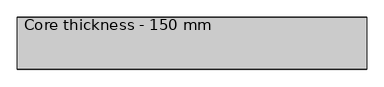
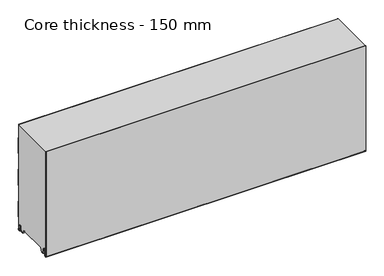
"""IFC4 building model written with IfcOpenShell, lengths in millimetres: plate geometry, Core thickness - 150 mm."""

from ifc_helpers import new_model, si_unit, frame, origin, place, context, project, spatial, polyline, circle_curve, source, transform, mapped, element, save
from ifc_brep_helpers import plane_surface, cylinder_surface, revolved_surface, advanced_brep


def core_thickness_150_mm_ac480261(model_context):
    return source(origin(), model_context, "Body", "AdvancedBrep", [
        advanced_brep(
        [(500.0000002, -149.9996949, 3.0900682), (500.0000002, -143.81449, 2.7875612), (500.0000002, -142.197116, 19.2828169), (500.0000002, -139.1776715, 21.9898782), (500.0000002, -136.1582271, 19.2828169), (500.0000002, -134.7725998, 5.1510966), (500.0000002, -130.3830995, 5.365779), (500.0000002, -131.1830995, 5.365779), (500.0000002, -133.9764178, 5.2291629), (500.0000002, -135.3620451, 19.3608832), (500.0000002, -139.1776715, 22.7899182), (500.0000002, -142.9932979, 19.3608832), (500.0000002, -144.6106719, 2.8656275), (500.0000002, -149.1996949, 3.0900682), (500.0000002, -149.2, 350.0), (500.0000002, -149.9996949, 350.0), (-500.0000002, -149.1996949, 3.0900682), (-500.0000002, -144.6106719, 2.8656275), (-500.0000002, -142.9932979, 19.3608832), (-500.0000002, -139.1776715, 22.7899182), (-500.0000002, -135.3620451, 19.3608832), (-500.0000002, -133.9764178, 5.2291629), (-500.0000002, -131.1830995, 5.365779), (-500.0000002, -130.3830995, 5.365779), (-500.0000002, -134.7725998, 5.1510966), (-500.0000002, -136.1582271, 19.2828169), (-500.0000002, -139.1776715, 21.9898782), (-500.0000002, -142.197116, 19.2828169), (-500.0000002, -143.81449, 2.7875612), (-500.0000002, -149.9996949, 3.0900682), (-500.0000002, -149.9996949, 350.0), (-500.0000002, -149.2, 350.0)],
        [
            (0, 1, circle_curve(frame((500.0000002, -146.8996949, 3.0900682), z_axis=(1.0, 0.0, 0.0), x_axis=(0.0, 0.0, -1.0)), 3.1)),
            (1, 2),
            (2, 3, circle_curve(frame((500.0000002, -139.2114338, 18.9900682), z_axis=(-1.0, 0.0, 0.0), x_axis=(0.0, 0.0, -1.0)), 3.0)),
            (3, 4, circle_curve(frame((500.0000002, -139.1439093, 18.9900682), z_axis=(-1.0, 0.0, 0.0), x_axis=(0.0, 0.0, -1.0)), 3.0)),
            (4, 5),
            (5, 6, circle_curve(frame((500.0000002, -132.5830995, 5.365779), z_axis=(1.0, 0.0, 0.0), x_axis=(0.0, 0.0, -1.0)), 2.2)),
            (6, 7),
            (7, 8, circle_curve(frame((500.0000002, -132.5830995, 5.365779), z_axis=(-1.0, 0.0, 0.0), x_axis=(0.0, 0.0, -1.0)), 1.4)),
            (8, 9),
            (9, 10, circle_curve(frame((500.0000002, -139.1439093, 18.9900682), z_axis=(1.0, 0.0, 0.0), x_axis=(0.0, 0.0, -1.0)), 3.8)),
            (10, 11, circle_curve(frame((500.0000002, -139.2114338, 18.9900682), z_axis=(1.0, 0.0, 0.0), x_axis=(0.0, 0.0, -1.0)), 3.8)),
            (11, 12),
            (12, 13, circle_curve(frame((500.0000002, -146.8996949, 3.0900682), z_axis=(-1.0, 0.0, 0.0), x_axis=(0.0, 0.0, -1.0)), 2.3)),
            (13, 14),
            (14, 15),
            (15, 0),
            (16, 17, circle_curve(frame((-500.0000002, -146.8996949, 3.0900682), z_axis=(1.0, 0.0, 0.0), x_axis=(0.0, 0.0, -1.0)), 2.3)),
            (17, 18),
            (18, 19, circle_curve(frame((-500.0000002, -139.2114338, 18.9900682), z_axis=(-1.0, 0.0, 0.0), x_axis=(0.0, 0.0, -1.0)), 3.8)),
            (19, 20, circle_curve(frame((-500.0000002, -139.1439093, 18.9900682), z_axis=(-1.0, 0.0, 0.0), x_axis=(0.0, 0.0, -1.0)), 3.8)),
            (20, 21),
            (21, 22, circle_curve(frame((-500.0000002, -132.5830995, 5.365779), z_axis=(1.0, 0.0, 0.0), x_axis=(0.0, 0.0, -1.0)), 1.4)),
            (22, 23),
            (23, 24, circle_curve(frame((-500.0000002, -132.5830995, 5.365779), z_axis=(-1.0, 0.0, 0.0), x_axis=(0.0, 0.0, -1.0)), 2.2)),
            (24, 25),
            (25, 26, circle_curve(frame((-500.0000002, -139.1439093, 18.9900682), z_axis=(1.0, 0.0, 0.0), x_axis=(0.0, 0.0, -1.0)), 3.0)),
            (26, 27, circle_curve(frame((-500.0000002, -139.2114338, 18.9900682), z_axis=(1.0, 0.0, 0.0), x_axis=(0.0, 0.0, -1.0)), 3.0)),
            (27, 28),
            (28, 29, circle_curve(frame((-500.0000002, -146.8996949, 3.0900682), z_axis=(-1.0, 0.0, 0.0), x_axis=(0.0, 0.0, -1.0)), 3.1)),
            (29, 30),
            (30, 31),
            (31, 16),
            (13, 16),
            (31, 14),
            (29, 0),
            (15, 30),
            (12, 17),
            (11, 18),
            (10, 19),
            (9, 20),
            (8, 21),
            (7, 22),
            (6, 23),
            (5, 24),
            (4, 25),
            (3, 26),
            (2, 27),
            (1, 28),
        ],
        [
            plane_surface(frame((500.0000002, -150.0, 0.0), z_axis=(1.0, 0.0, 0.0), x_axis=(0.0, 1.0, 0.0))),
            plane_surface(frame((-500.0000002, -150.0, 0.0), z_axis=(-1.0, 0.0, 0.0), x_axis=(0.0, 1.0, 0.0))),
            plane_surface(frame((500.0000002, -149.2, 3.0900682), z_axis=(0.0, 1.0, 0.0), x_axis=(-1.0, 0.0, 0.0))),
            plane_surface(frame((500.0000002, -149.9996949, 1143.9000005), z_axis=(0.0, -1.0, 0.0), x_axis=(-1.0, 0.0, 0.0))),
            revolved_surface(polyline([(-500.0000002, -146.8996949, 0.7900682000000003), (500.0000002, -146.8996949, 0.7900682000000003)]), (500.0000002, -146.8996949, 3.0900682), (-1.0, 0.0, 0.0)),
            plane_surface(frame((500.0000002, -142.9932979, 19.3608832), z_axis=(0.0, -0.9952273999818314, 0.09758289975914787), x_axis=(-1.0, 0.0, 0.0))),
            cylinder_surface(frame((500.0000002, -139.2114338, 18.9900682), z_axis=(1.0, 0.0, 0.0), x_axis=(0.0, 0.0, -1.0)), 3.8),
            cylinder_surface(frame((500.0000002, -139.1439093, 18.9900682), z_axis=(1.0, 0.0, 0.0), x_axis=(0.0, 0.0, -1.0)), 3.8),
            plane_surface(frame((500.0000002, -133.9764178, 5.2291629), z_axis=(0.0, 0.9952273999818297, 0.09758289975916531), x_axis=(-1.0, 0.0, 0.0))),
            revolved_surface(polyline([(-500.0000002, -132.5830995, 3.965779), (500.0000002, -132.5830995, 3.965779)]), (500.0000002, -132.5830995, 5.365779), (-1.0, 0.0, 0.0)),
            plane_surface(frame((500.0000002, -130.3830995, 5.365779), z_axis=(0.0, 0.0, 1.0), x_axis=(-1.0, 0.0, 0.0))),
            cylinder_surface(frame((500.0000002, -132.5830995, 5.365779), z_axis=(1.0, 0.0, 0.0), x_axis=(0.0, 0.0, -1.0)), 2.2),
            plane_surface(frame((500.0000002, -136.1582271, 19.2828169), z_axis=(0.0, -0.9952273999818296, -0.09758289975916527), x_axis=(-1.0, 0.0, 0.0))),
            revolved_surface(polyline([(-500.0000002, -139.1439093, 15.9900682), (500.0000002, -139.1439093, 15.9900682)]), (500.0000002, -139.1439093, 18.9900682), (-1.0, 0.0, 0.0)),
            revolved_surface(polyline([(-500.0000002, -139.2114338, 15.9900682), (500.0000002, -139.2114338, 15.9900682)]), (500.0000002, -139.2114338, 18.9900682), (-1.0, 0.0, 0.0)),
            plane_surface(frame((500.0000002, -143.81449, 2.7875612), z_axis=(0.0, 0.9952273999818314, -0.09758289975914787), x_axis=(-1.0, 0.0, 0.0))),
            cylinder_surface(frame((500.0000002, -146.8996949, 3.0900682), z_axis=(1.0, 0.0, 0.0), x_axis=(0.0, 0.0, -1.0)), 3.1),
            plane_surface(frame((-500.0000002, 134.0533409, 350.0), z_axis=(0.0, 0.0, 1.0), x_axis=(1.0, 0.0, 0.0))),
        ],
        [
            (0, [[1, 2, 3, 4, 5, 6, 7, 8, 9, 10, 11, 12, 13, 14, 15, 16]]),
            (1, [[17, 18, 19, 20, 21, 22, 23, 24, 25, 26, 27, 28, 29, 30, 31, 32]]),
            (2, [[33, -32, 34, -14]]),
            (3, [[35, -16, 36, -30]]),
            (4, [[-13, 37, -17, -33]]),
            (5, [[-12, 38, -18, -37]]),
            (6, [[-11, 39, -19, -38]]),
            (7, [[-10, 40, -20, -39]]),
            (8, [[-9, 41, -21, -40]]),
            (9, [[-8, 42, -22, -41]]),
            (10, [[-7, 43, -23, -42]]),
            (11, [[-6, 44, -24, -43]]),
            (12, [[-5, 45, -25, -44]]),
            (13, [[-4, 46, -26, -45]]),
            (14, [[-3, 47, -27, -46]]),
            (15, [[-2, 48, -28, -47]]),
            (16, [[-1, -35, -29, -48]]),
            (17, [[-15, -34, -31, -36]]),
        ],
    ),
        advanced_brep(
        [(500.0000002, -119.873448, 15.1417681), (500.0000002, -30.126552, 15.1417681), (500.0000002, -23.4071318, 3.165779), (500.0000002, -17.4169005, 3.165779), (500.0000002, -19.6169005, 5.365779), (500.0000002, -18.8169005, 5.365779), (500.0000002, -16.0235822, 5.2291629), (500.0000002, -14.6379549, 19.3608832), (500.0000002, -10.8223285, 22.7899182), (500.0000002, -7.0067021, 19.3608832), (500.0000002, -5.3893281, 2.8656275), (500.0000002, -1.0794848, 4.1883784), (500.0000002, -1.5003051, 5.8439114), (500.0000002, -1.5003051, 42.0511837), (500.0000002, -1.0971009, 43.4705951), (500.0000002, -0.8, 44.5229805), (500.0000002, -0.8, 94.6827637), (500.0000002, -1.0986697, 95.7341795), (500.0000002, -1.5003051, 97.1545605), (500.0000002, -1.5003051, 147.3143437), (500.0000002, -1.0971009, 148.7337551), (500.0000002, -0.8, 149.7861405), (500.0000002, -0.8, 199.9459237), (500.0000002, -1.0986697, 200.9973395), (500.0000002, -1.5003051, 202.4177205), (500.0000002, -1.5003051, 252.5775037), (500.0000002, -1.0971009, 253.9969151), (500.0000002, -0.8, 255.0493005), (500.0000002, -0.8, 305.2090837), (500.0000002, -1.0986697, 306.2604995), (500.0000002, -1.5003051, 307.6808805), (500.0000002, -1.5003051, 350.0), (500.0000002, -149.2, 350.0), (500.0000002, -149.2, 3.0900682), (500.0000002, -144.6106719, 2.8656275), (500.0000002, -142.9932979, 19.3608832), (500.0000002, -139.1776715, 22.7899182), (500.0000002, -135.3620451, 19.3608832), (500.0000002, -133.9764178, 5.2291629), (500.0000002, -131.1830995, 5.365779), (500.0000002, -130.3830995, 5.365779), (500.0000002, -132.5830995, 3.165779), (500.0000002, -126.5928682, 3.165779), (-500.0000002, -30.126552, 15.1417681), (-500.0000002, -119.873448, 15.1417681), (-500.0000002, -126.5928682, 3.165779), (-500.0000002, -132.5830995, 3.165779), (-500.0000002, -130.3830995, 5.365779), (-500.0000002, -131.1830995, 5.365779), (-500.0000002, -133.9764178, 5.2291629), (-500.0000002, -135.3620451, 19.3608832), (-500.0000002, -139.1776715, 22.7899182), (-500.0000002, -142.9932979, 19.3608832), (-500.0000002, -144.6106719, 2.8656275), (-500.0000002, -149.1996949, 3.0900682), (-500.0000002, -149.2, 350.0), (-500.0000002, -1.5003051, 350.0), (-500.0000002, -1.5003051, 307.6808805), (-500.0000002, -1.0971009, 306.2614691), (-500.0000002, -0.8, 305.2090837), (-500.0000002, -0.8, 255.0493005), (-500.0000002, -1.0986697, 253.9978846), (-500.0000002, -1.5003051, 252.5775037), (-500.0000002, -1.5003051, 202.4177205), (-500.0000002, -1.0971009, 200.9983091), (-500.0000002, -0.8, 199.9459237), (-500.0000002, -0.8, 149.7861405), (-500.0000002, -1.0986697, 148.7347246), (-500.0000002, -1.5003051, 147.3143437), (-500.0000002, -1.5003051, 97.1545605), (-500.0000002, -1.0971009, 95.7351491), (-500.0000002, -0.8, 94.6827637), (-500.0000002, -0.8, 44.5229805), (-500.0000002, -1.0986697, 43.4715646), (-500.0000002, -1.5003051, 42.0511837), (-500.0000002, -1.5003051, 5.8439114), (-500.0000002, -1.0794848, 4.1883784), (-500.0000002, -5.3893281, 2.8656275), (-500.0000002, -7.0067021, 19.3608832), (-500.0000002, -10.8223285, 22.7899182), (-500.0000002, -14.6379549, 19.3608832), (-500.0000002, -16.0235822, 5.2291629), (-500.0000002, -18.8169005, 5.365779), (-500.0000002, -19.6169005, 5.365779), (-500.0000002, -17.4169005, 3.165779), (-500.0000002, -23.4071318, 3.165779)],
        [
            (0, 1),
            (1, 2),
            (2, 3),
            (3, 4, circle_curve(frame((500.0000002, -17.4169005, 5.365779), z_axis=(-1.0, 0.0, 0.0), x_axis=(0.0, 0.0, -1.0)), 2.2)),
            (4, 5),
            (5, 6, circle_curve(frame((500.0000002, -17.4169005, 5.365779), z_axis=(1.0, 0.0, 0.0), x_axis=(0.0, 0.0, -1.0)), 1.4)),
            (6, 7),
            (7, 8, circle_curve(frame((500.0000002, -10.8560907, 18.9900682), z_axis=(-1.0, 0.0, 0.0), x_axis=(0.0, 0.0, -1.0)), 3.8)),
            (8, 9, circle_curve(frame((500.0000002, -10.7885662, 18.9900682), z_axis=(-1.0, 0.0, 0.0), x_axis=(0.0, 0.0, -1.0)), 3.8)),
            (9, 10),
            (10, 11, circle_curve(frame((500.0000002, -3.1003051, 3.0900682), z_axis=(1.0, 0.0, 0.0), x_axis=(0.0, 0.0, -1.0)), 2.3)),
            (11, 12, circle_curve(frame((500.0000002, 1.9665895, 5.8439114), z_axis=(-1.0, 0.0, 0.0), x_axis=(0.0, 0.0, -1.0)), 3.4668946)),
            (12, 13),
            (13, 14, circle_curve(frame((500.0000002, 1.1996949, 42.0511837), z_axis=(-1.0, 0.0, 0.0), x_axis=(0.0, 0.0, -1.0)), 2.7)),
            (14, 15, circle_curve(frame((500.0000002, -2.8, 44.5229805), z_axis=(1.0, 0.0, 0.0), x_axis=(0.0, 0.0, -1.0)), 2.0)),
            (15, 16),
            (16, 17, circle_curve(frame((500.0000002, -2.8, 94.6827637), z_axis=(1.0, 0.0, 0.0), x_axis=(0.0, 0.0, -1.0)), 2.0)),
            (17, 18, circle_curve(frame((500.0000002, 1.1996949, 97.1545605), z_axis=(-1.0, 0.0, 0.0), x_axis=(0.0, 0.0, -1.0)), 2.7)),
            (18, 19),
            (19, 20, circle_curve(frame((500.0000002, 1.1996949, 147.3143437), z_axis=(-1.0, 0.0, 0.0), x_axis=(0.0, 0.0, -1.0)), 2.7)),
            (20, 21, circle_curve(frame((500.0000002, -2.8, 149.7861405), z_axis=(1.0, 0.0, 0.0), x_axis=(0.0, 0.0, -1.0)), 2.0)),
            (21, 22),
            (22, 23, circle_curve(frame((500.0000002, -2.8, 199.9459237), z_axis=(1.0, 0.0, 0.0), x_axis=(0.0, 0.0, -1.0)), 2.0)),
            (23, 24, circle_curve(frame((500.0000002, 1.1996949, 202.4177205), z_axis=(-1.0, 0.0, 0.0), x_axis=(0.0, 0.0, -1.0)), 2.7)),
            (24, 25),
            (25, 26, circle_curve(frame((500.0000002, 1.1996949, 252.5775037), z_axis=(-1.0, 0.0, 0.0), x_axis=(0.0, 0.0, -1.0)), 2.7)),
            (26, 27, circle_curve(frame((500.0000002, -2.8, 255.0493005), z_axis=(1.0, 0.0, 0.0), x_axis=(0.0, 0.0, -1.0)), 2.0)),
            (27, 28),
            (28, 29, circle_curve(frame((500.0000002, -2.8, 305.2090837), z_axis=(1.0, 0.0, 0.0), x_axis=(0.0, 0.0, -1.0)), 2.0)),
            (29, 30, circle_curve(frame((500.0000002, 1.1996949, 307.6808805), z_axis=(-1.0, 0.0, 0.0), x_axis=(0.0, 0.0, -1.0)), 2.7)),
            (30, 31),
            (31, 32),
            (32, 33),
            (33, 34, circle_curve(frame((500.0000002, -146.8996949, 3.0900682), z_axis=(1.0, 0.0, 0.0), x_axis=(0.0, 0.0, -1.0)), 2.3)),
            (34, 35),
            (35, 36, circle_curve(frame((500.0000002, -139.2114338, 18.9900682), z_axis=(-1.0, 0.0, 0.0), x_axis=(0.0, 0.0, -1.0)), 3.8)),
            (36, 37, circle_curve(frame((500.0000002, -139.1439093, 18.9900682), z_axis=(-1.0, 0.0, 0.0), x_axis=(0.0, 0.0, -1.0)), 3.8)),
            (37, 38),
            (38, 39, circle_curve(frame((500.0000002, -132.5830995, 5.365779), z_axis=(1.0, 0.0, 0.0), x_axis=(0.0, 0.0, -1.0)), 1.4)),
            (39, 40),
            (40, 41, circle_curve(frame((500.0000002, -132.5830995, 5.365779), z_axis=(-1.0, 0.0, 0.0), x_axis=(0.0, 0.0, -1.0)), 2.2)),
            (41, 42),
            (42, 0),
            (43, 44),
            (44, 45),
            (45, 46),
            (46, 47, circle_curve(frame((-500.0000002, -132.5830995, 5.365779), z_axis=(1.0, 0.0, 0.0), x_axis=(0.0, 0.0, -1.0)), 2.2)),
            (47, 48),
            (48, 49, circle_curve(frame((-500.0000002, -132.5830995, 5.365779), z_axis=(-1.0, 0.0, 0.0), x_axis=(0.0, 0.0, -1.0)), 1.4)),
            (49, 50),
            (50, 51, circle_curve(frame((-500.0000002, -139.1439093, 18.9900682), z_axis=(1.0, 0.0, 0.0), x_axis=(0.0, 0.0, -1.0)), 3.8)),
            (51, 52, circle_curve(frame((-500.0000002, -139.2114338, 18.9900682), z_axis=(1.0, 0.0, 0.0), x_axis=(0.0, 0.0, -1.0)), 3.8)),
            (52, 53),
            (53, 54, circle_curve(frame((-500.0000002, -146.8996949, 3.0900682), z_axis=(-1.0, 0.0, 0.0), x_axis=(0.0, 0.0, -1.0)), 2.3)),
            (54, 55),
            (55, 56),
            (56, 57),
            (57, 58, circle_curve(frame((-500.0000002, 1.1996949, 307.6808805), z_axis=(1.0, 0.0, 0.0), x_axis=(0.0, 0.0, -1.0)), 2.7)),
            (58, 59, circle_curve(frame((-500.0000002, -2.8, 305.2090837), z_axis=(-1.0, 0.0, 0.0), x_axis=(0.0, 0.0, -1.0)), 2.0)),
            (59, 60),
            (60, 61, circle_curve(frame((-500.0000002, -2.8, 255.0493005), z_axis=(-1.0, 0.0, 0.0), x_axis=(0.0, 0.0, -1.0)), 2.0)),
            (61, 62, circle_curve(frame((-500.0000002, 1.1996949, 252.5775037), z_axis=(1.0, 0.0, 0.0), x_axis=(0.0, 0.0, -1.0)), 2.7)),
            (62, 63),
            (63, 64, circle_curve(frame((-500.0000002, 1.1996949, 202.4177205), z_axis=(1.0, 0.0, 0.0), x_axis=(0.0, 0.0, -1.0)), 2.7)),
            (64, 65, circle_curve(frame((-500.0000002, -2.8, 199.9459237), z_axis=(-1.0, 0.0, 0.0), x_axis=(0.0, 0.0, -1.0)), 2.0)),
            (65, 66),
            (66, 67, circle_curve(frame((-500.0000002, -2.8, 149.7861405), z_axis=(-1.0, 0.0, 0.0), x_axis=(0.0, 0.0, -1.0)), 2.0)),
            (67, 68, circle_curve(frame((-500.0000002, 1.1996949, 147.3143437), z_axis=(1.0, 0.0, 0.0), x_axis=(0.0, 0.0, -1.0)), 2.7)),
            (68, 69),
            (69, 70, circle_curve(frame((-500.0000002, 1.1996949, 97.1545605), z_axis=(1.0, 0.0, 0.0), x_axis=(0.0, 0.0, -1.0)), 2.7)),
            (70, 71, circle_curve(frame((-500.0000002, -2.8, 94.6827637), z_axis=(-1.0, 0.0, 0.0), x_axis=(0.0, 0.0, -1.0)), 2.0)),
            (71, 72),
            (72, 73, circle_curve(frame((-500.0000002, -2.8, 44.5229805), z_axis=(-1.0, 0.0, 0.0), x_axis=(0.0, 0.0, -1.0)), 2.0)),
            (73, 74, circle_curve(frame((-500.0000002, 1.1996949, 42.0511837), z_axis=(1.0, 0.0, 0.0), x_axis=(0.0, 0.0, -1.0)), 2.7)),
            (74, 75),
            (75, 76, circle_curve(frame((-500.0000002, 1.9665895, 5.8439114), z_axis=(1.0, 0.0, 0.0), x_axis=(0.0, 0.0, -1.0)), 3.4668946)),
            (76, 77, circle_curve(frame((-500.0000002, -3.1003051, 3.0900682), z_axis=(-1.0, 0.0, 0.0), x_axis=(0.0, 0.0, -1.0)), 2.3)),
            (77, 78),
            (78, 79, circle_curve(frame((-500.0000002, -10.7885662, 18.9900682), z_axis=(1.0, 0.0, 0.0), x_axis=(0.0, 0.0, -1.0)), 3.8)),
            (79, 80, circle_curve(frame((-500.0000002, -10.8560907, 18.9900682), z_axis=(1.0, 0.0, 0.0), x_axis=(0.0, 0.0, -1.0)), 3.8)),
            (80, 81),
            (81, 82, circle_curve(frame((-500.0000002, -17.4169005, 5.365779), z_axis=(-1.0, 0.0, 0.0), x_axis=(0.0, 0.0, -1.0)), 1.4)),
            (82, 83),
            (83, 84, circle_curve(frame((-500.0000002, -17.4169005, 5.365779), z_axis=(1.0, 0.0, 0.0), x_axis=(0.0, 0.0, -1.0)), 2.2)),
            (84, 85),
            (85, 43),
            (1, 43),
            (85, 2),
            (0, 44),
            (42, 45),
            (64, 23),
            (22, 65),
            (63, 24),
            (62, 25),
            (61, 26),
            (60, 27),
            (59, 28),
            (58, 29),
            (57, 30),
            (56, 31),
            (54, 33),
            (32, 55),
            (84, 3),
            (41, 46),
            (83, 4),
            (82, 5),
            (81, 6),
            (80, 7),
            (79, 8),
            (78, 9),
            (77, 10),
            (76, 11),
            (75, 12),
            (74, 13),
            (73, 14),
            (72, 15),
            (71, 16),
            (70, 17),
            (69, 18),
            (68, 19),
            (67, 20),
            (66, 21),
            (53, 34),
            (52, 35),
            (51, 36),
            (50, 37),
            (49, 38),
            (48, 39),
            (47, 40),
        ],
        [
            plane_surface(frame((500.0000002, 0.0, 0.0), z_axis=(1.0, 0.0, 0.0), x_axis=(0.0, -1.0, 0.0))),
            plane_surface(frame((-500.0000002, 0.0, 0.0), z_axis=(-1.0, 0.0, 0.0), x_axis=(0.0, -1.0, 0.0))),
            plane_surface(frame((500.0000002, -30.126552, 15.1417681), z_axis=(0.0, -0.8721062992196836, -0.4893164649399687), x_axis=(-1.0, 0.0, 0.0))),
            plane_surface(frame((500.0000002, -119.873448, 15.1417681), z_axis=(0.0, 0.0, -1.0), x_axis=(-1.0, 0.0, 0.0))),
            plane_surface(frame((500.0000002, -126.8190247, 2.7627014), z_axis=(0.0, 0.8721062992196832, -0.4893164649399697), x_axis=(-1.0, 0.0, 0.0))),
            cylinder_surface(frame((630.0000002, -2.8, 199.9459237), z_axis=(-1.0, 0.0, 0.0), x_axis=(0.0, 0.0, -1.0)), 2.0),
            revolved_surface(polyline([(500.0000002, 1.1996949, 199.7177205), (-500.00000020000004, 1.1996949, 199.7177205)]), (630.0000002, 1.1996949, 202.4177205), (1.0, 0.0, 0.0)),
            plane_surface(frame((630.0000002, -1.5003051, 252.5775037), z_axis=(0.0, 1.0, 0.0), x_axis=(-1.0, 0.0, 0.0))),
            revolved_surface(polyline([(500.0000002, 1.1996949, 249.8775037), (-500.00000020000004, 1.1996949, 249.8775037)]), (630.0000002, 1.1996949, 252.5775037), (1.0, 0.0, 0.0)),
            cylinder_surface(frame((630.0000002, -2.8, 255.0493005), z_axis=(-1.0, 0.0, 0.0), x_axis=(0.0, 0.0, -1.0)), 2.0),
            plane_surface(frame((630.0000002, -0.8, 305.2090837), z_axis=(0.0, 1.0, 0.0), x_axis=(-1.0, 0.0, 0.0))),
            cylinder_surface(frame((630.0000002, -2.8, 305.2090837), z_axis=(-1.0, 0.0, 0.0), x_axis=(0.0, 0.0, -1.0)), 2.0),
            revolved_surface(polyline([(500.0000002, 1.1996949, 304.9808805), (-500.00000020000004, 1.1996949, 304.9808805)]), (630.0000002, 1.1996949, 307.6808805), (1.0, 0.0, 0.0)),
            plane_surface(frame((630.0000002, -1.5003051, 357.8406637), z_axis=(0.0, 1.0, 0.0), x_axis=(-1.0, 0.0, 0.0))),
            plane_surface(frame((630.0000002, -149.2, 3.0900682), z_axis=(0.0, -1.0, 0.0), x_axis=(-1.0, 0.0, 0.0))),
            plane_surface(frame((-500.0000002, -132.5830995, 3.165779), z_axis=(0.0, 0.0, -1.0), x_axis=(1.0, 0.0, 0.0))),
            revolved_surface(polyline([(500.0000002, -17.4169005, 3.1657789999999997), (-500.00000020000004, -17.4169005, 3.1657789999999997)]), (630.0000002, -17.4169005, 5.365779), (1.0, 0.0, 0.0)),
            plane_surface(frame((630.0000002, -18.8169005, 5.365779), z_axis=(0.0, 0.0, -1.0), x_axis=(-1.0, 0.0, 0.0))),
            cylinder_surface(frame((630.0000002, -17.4169005, 5.365779), z_axis=(-1.0, 0.0, 0.0), x_axis=(0.0, 0.0, -1.0)), 1.4),
            plane_surface(frame((630.0000002, -14.6379549, 19.3608832), z_axis=(0.0, 0.9952273999818297, -0.09758289975916531), x_axis=(-1.0, 0.0, 0.0))),
            revolved_surface(polyline([(500.0000002, -10.8560907, 15.190068199999999), (-500.00000020000004, -10.8560907, 15.190068199999999)]), (630.0000002, -10.8560907, 18.9900682), (1.0, 0.0, 0.0)),
            revolved_surface(polyline([(500.0000002, -10.7885662, 15.190068199999999), (-500.00000020000004, -10.7885662, 15.190068199999999)]), (630.0000002, -10.7885662, 18.9900682), (1.0, 0.0, 0.0)),
            plane_surface(frame((630.0000002, -5.3893281, 2.8656275), z_axis=(0.0, -0.9952273999818314, -0.09758289975914787), x_axis=(-1.0, 0.0, 0.0))),
            cylinder_surface(frame((630.0000002, -3.1003051, 3.0900682), z_axis=(-1.0, 0.0, 0.0), x_axis=(0.0, 0.0, -1.0)), 2.3),
            revolved_surface(polyline([(500.0000002, 1.9665895, 2.3770168), (-500.00000020000004, 1.9665895, 2.3770168)]), (630.0000002, 1.9665895, 5.8439114), (1.0, 0.0, 0.0)),
            plane_surface(frame((630.0000002, -1.5003051, 42.0511837), z_axis=(0.0, 1.0, 0.0), x_axis=(-1.0, 0.0, 0.0))),
            revolved_surface(polyline([(500.0000002, 1.1996949, 39.3511837), (-500.00000020000004, 1.1996949, 39.3511837)]), (630.0000002, 1.1996949, 42.0511837), (1.0, 0.0, 0.0)),
            cylinder_surface(frame((630.0000002, -2.8, 44.5229805), z_axis=(-1.0, 0.0, 0.0), x_axis=(0.0, 0.0, -1.0)), 2.0),
            plane_surface(frame((630.0000002, -0.8, 94.6827637), z_axis=(0.0, 1.0, 0.0), x_axis=(-1.0, 0.0, 0.0))),
            cylinder_surface(frame((630.0000002, -2.8, 94.6827637), z_axis=(-1.0, 0.0, 0.0), x_axis=(0.0, 0.0, -1.0)), 2.0),
            revolved_surface(polyline([(500.0000002, 1.1996949, 94.4545605), (-500.00000020000004, 1.1996949, 94.4545605)]), (630.0000002, 1.1996949, 97.1545605), (1.0, 0.0, 0.0)),
            plane_surface(frame((630.0000002, -1.5003051, 147.3143437), z_axis=(0.0, 1.0, 0.0), x_axis=(-1.0, 0.0, 0.0))),
            revolved_surface(polyline([(500.0000002, 1.1996949, 144.6143437), (-500.00000020000004, 1.1996949, 144.6143437)]), (630.0000002, 1.1996949, 147.3143437), (1.0, 0.0, 0.0)),
            cylinder_surface(frame((630.0000002, -2.8, 149.7861405), z_axis=(-1.0, 0.0, 0.0), x_axis=(0.0, 0.0, -1.0)), 2.0),
            plane_surface(frame((630.0000002, -0.8, 199.9459237), z_axis=(0.0, 1.0, 0.0), x_axis=(-1.0, 0.0, 0.0))),
            cylinder_surface(frame((630.0000002, -146.8996949, 3.0900682), z_axis=(-1.0, 0.0, 0.0), x_axis=(0.0, 0.0, -1.0)), 2.3),
            plane_surface(frame((630.0000002, -142.9932979, 19.3608832), z_axis=(0.0, 0.9952273999818314, -0.09758289975914787), x_axis=(-1.0, 0.0, 0.0))),
            revolved_surface(polyline([(500.0000002, -139.2114338, 15.190068199999999), (-500.00000020000004, -139.2114338, 15.190068199999999)]), (630.0000002, -139.2114338, 18.9900682), (1.0, 0.0, 0.0)),
            revolved_surface(polyline([(500.0000002, -139.1439093, 15.190068199999999), (-500.00000020000004, -139.1439093, 15.190068199999999)]), (630.0000002, -139.1439093, 18.9900682), (1.0, 0.0, 0.0)),
            plane_surface(frame((630.0000002, -133.9764178, 5.2291629), z_axis=(0.0, -0.9952273999818297, -0.09758289975916531), x_axis=(-1.0, 0.0, 0.0))),
            cylinder_surface(frame((630.0000002, -132.5830995, 5.365779), z_axis=(-1.0, 0.0, 0.0), x_axis=(0.0, 0.0, -1.0)), 1.4),
            plane_surface(frame((630.0000002, -130.3830995, 5.365779), z_axis=(0.0, 0.0, -1.0), x_axis=(-1.0, 0.0, 0.0))),
            revolved_surface(polyline([(500.0000002, -132.5830995, 3.1657789999999997), (-500.00000020000004, -132.5830995, 3.1657789999999997)]), (630.0000002, -132.5830995, 5.365779), (1.0, 0.0, 0.0)),
            plane_surface(frame((-500.0000002, 134.0533409, 350.0), z_axis=(0.0, 0.0, 1.0), x_axis=(1.0, 0.0, 0.0))),
        ],
        [
            (0, [[1, 2, 3, 4, 5, 6, 7, 8, 9, 10, 11, 12, 13, 14, 15, 16, 17, 18, 19, 20, 21, 22, 23, 24, 25, 26, 27, 28, 29, 30, 31, 32, 33, 34, 35, 36, 37, 38, 39, 40, 41, 42, 43]]),
            (1, [[44, 45, 46, 47, 48, 49, 50, 51, 52, 53, 54, 55, 56, 57, 58, 59, 60, 61, 62, 63, 64, 65, 66, 67, 68, 69, 70, 71, 72, 73, 74, 75, 76, 77, 78, 79, 80, 81, 82, 83, 84, 85, 86]]),
            (2, [[87, -86, 88, -2]]),
            (3, [[-1, 89, -44, -87]]),
            (4, [[-89, -43, 90, -45]]),
            (5, [[91, -23, 92, -65]]),
            (6, [[-91, -64, 93, -24]]),
            (7, [[-93, -63, 94, -25]]),
            (8, [[-94, -62, 95, -26]]),
            (9, [[-95, -61, 96, -27]]),
            (10, [[-96, -60, 97, -28]]),
            (11, [[-97, -59, 98, -29]]),
            (12, [[-98, -58, 99, -30]]),
            (13, [[-99, -57, 100, -31]]),
            (14, [[101, -33, 102, -55]]),
            (15, [[-3, -88, -85, 103]]),
            (15, [[-42, 104, -46, -90]]),
            (16, [[105, -4, -103, -84]]),
            (17, [[-105, -83, 106, -5]]),
            (18, [[-106, -82, 107, -6]]),
            (19, [[-107, -81, 108, -7]]),
            (20, [[-108, -80, 109, -8]]),
            (21, [[-109, -79, 110, -9]]),
            (22, [[-110, -78, 111, -10]]),
            (23, [[-111, -77, 112, -11]]),
            (24, [[-112, -76, 113, -12]]),
            (25, [[-113, -75, 114, -13]]),
            (26, [[-114, -74, 115, -14]]),
            (27, [[-115, -73, 116, -15]]),
            (28, [[-116, -72, 117, -16]]),
            (29, [[-117, -71, 118, -17]]),
            (30, [[-118, -70, 119, -18]]),
            (31, [[-119, -69, 120, -19]]),
            (32, [[-120, -68, 121, -20]]),
            (33, [[-121, -67, 122, -21]]),
            (34, [[-122, -66, -92, -22]]),
            (35, [[-101, -54, 123, -34]]),
            (36, [[-123, -53, 124, -35]]),
            (37, [[-124, -52, 125, -36]]),
            (38, [[-125, -51, 126, -37]]),
            (39, [[-126, -50, 127, -38]]),
            (40, [[-127, -49, 128, -39]]),
            (41, [[-128, -48, 129, -40]]),
            (42, [[-129, -47, -104, -41]]),
            (43, [[-100, -56, -102, -32]]),
        ],
    ),
        advanced_brep(
        [(-500.0000002, -0.7003051, 307.6808805), (-500.0000002, -0.4016712, 306.6295226), (-500.0000002, -0.0003051, 305.2090837), (-500.0000002, -0.0003051, 255.0493005), (-500.0000002, -0.4034608, 253.6299674), (-500.0000002, -0.7003051, 252.5775037), (-500.0000002, -0.7003051, 202.4177205), (-500.0000002, -0.4016712, 201.3663626), (-500.0000002, -0.0003051, 199.9459237), (-500.0000002, -0.0003051, 149.7861405), (-500.0000002, -0.4034608, 148.3668074), (-500.0000002, -0.7003051, 147.3143437), (-500.0000002, -0.7003051, 97.1545605), (-500.0000002, -0.4016712, 96.1032026), (-500.0000002, -0.0003051, 94.6827637), (-500.0000002, -0.0003051, 44.5229805), (-500.0000002, -0.4034608, 43.1036474), (-500.0000002, -0.7003051, 42.0511837), (-500.0000002, -0.7003051, 6.8391397), (-500.0000002, -0.2091664, 4.208691), (-500.0000002, -6.18551, 2.7875612), (-500.0000002, -7.802884, 19.2828169), (-500.0000002, -10.8223285, 21.9898782), (-500.0000002, -13.8417729, 19.2828169), (-500.0000002, -15.2274002, 5.1510966), (-500.0000002, -19.6169005, 5.365779), (-500.0000002, -18.8169005, 5.365779), (-500.0000002, -16.0235822, 5.2291629), (-500.0000002, -14.6379549, 19.3608832), (-500.0000002, -10.8223285, 22.7899182), (-500.0000002, -7.0067021, 19.3608832), (-500.0000002, -5.3893281, 2.8656275), (-500.0000002, -1.0794848, 4.1883784), (-500.0000002, -1.5003051, 5.8439114), (-500.0000002, -1.5003051, 42.0511837), (-500.0000002, -1.0971009, 43.4705951), (-500.0000002, -0.8, 44.5229805), (-500.0000002, -0.8, 94.6827637), (-500.0000002, -1.0986697, 95.7341795), (-500.0000002, -1.5003051, 97.1545605), (-500.0000002, -1.5003051, 147.3143437), (-500.0000002, -1.0971009, 148.7337551), (-500.0000002, -0.8, 149.7861405), (-500.0000002, -0.8, 199.9459237), (-500.0000002, -1.0986697, 200.9973395), (-500.0000002, -1.5003051, 202.4177205), (-500.0000002, -1.5003051, 252.5775037), (-500.0000002, -1.0971009, 253.9969151), (-500.0000002, -0.8, 255.0493005), (-500.0000002, -0.8, 305.2090837), (-500.0000002, -1.0986697, 306.2604995), (-500.0000002, -1.5003051, 307.6808805), (-500.0000002, -1.5003051, 350.0), (-500.0000002, -0.7003051, 350.0), (500.0000002, -1.5003051, 307.6808805), (500.0000002, -1.0971009, 306.2614691), (500.0000002, -0.8, 305.2090837), (500.0000002, -0.8, 255.0493005), (500.0000002, -1.0986697, 253.9978846), (500.0000002, -1.5003051, 252.5775037), (500.0000002, -1.5003051, 202.4177205), (500.0000002, -1.0971009, 200.9983091), (500.0000002, -0.8, 199.9459237), (500.0000002, -0.8, 149.7861405), (500.0000002, -1.0986697, 148.7347246), (500.0000002, -1.5003051, 147.3143437), (500.0000002, -1.5003051, 97.1545605), (500.0000002, -1.0971009, 95.7351491), (500.0000002, -0.8, 94.6827637), (500.0000002, -0.8, 44.5229805), (500.0000002, -1.0986697, 43.4715646), (500.0000002, -1.5003051, 42.0511837), (500.0000002, -1.5003051, 5.8439114), (500.0000002, -1.0794848, 4.1883784), (500.0000002, -5.3893281, 2.8656275), (500.0000002, -7.0067021, 19.3608832), (500.0000002, -10.8223285, 22.7899182), (500.0000002, -14.6379549, 19.3608832), (500.0000002, -16.0235822, 5.2291629), (500.0000002, -18.8169005, 5.365779), (500.0000002, -19.6169005, 5.365779), (500.0000002, -15.2274002, 5.1510966), (500.0000002, -13.8417729, 19.2828169), (500.0000002, -10.8223285, 21.9898782), (500.0000002, -7.802884, 19.2828169), (500.0000002, -6.18551, 2.7875612), (500.0000002, -0.2091664, 4.208691), (500.0000002, -0.7003051, 6.8391397), (500.0000002, -0.7003051, 42.0511837), (500.0000002, -0.4016712, 43.1025415), (500.0000002, -0.0003051, 44.5229805), (500.0000002, -0.0003051, 94.6827637), (500.0000002, -0.4034608, 96.1020968), (500.0000002, -0.7003051, 97.1545605), (500.0000002, -0.7003051, 147.3143437), (500.0000002, -0.4016712, 148.3657015), (500.0000002, -0.0003051, 149.7861405), (500.0000002, -0.0003051, 199.9459237), (500.0000002, -0.4034608, 201.3652568), (500.0000002, -0.7003051, 202.4177205), (500.0000002, -0.7003051, 252.5775037), (500.0000002, -0.4016712, 253.6288615), (500.0000002, -0.0003051, 255.0493005), (500.0000002, -0.0003051, 305.2090837), (500.0000002, -0.4034608, 306.6284168), (500.0000002, -0.7003051, 307.6808805), (500.0000002, -0.7003051, 350.0), (500.0000002, -1.5003051, 350.0)],
        [
            (0, 1, circle_curve(frame((-500.0000002, 1.2996949, 307.6808805), z_axis=(1.0, 0.0, 0.0), x_axis=(0.0, 0.0, -1.0)), 2.0)),
            (1, 2, circle_curve(frame((-500.0000002, -2.7003051, 305.2090837), z_axis=(-1.0, 0.0, 0.0), x_axis=(0.0, 0.0, -1.0)), 2.7)),
            (2, 3),
            (3, 4, circle_curve(frame((-500.0000002, -2.7003051, 255.0493005), z_axis=(-1.0, 0.0, 0.0), x_axis=(0.0, 0.0, -1.0)), 2.7)),
            (4, 5, circle_curve(frame((-500.0000002, 1.2996949, 252.5775037), z_axis=(1.0, 0.0, 0.0), x_axis=(0.0, 0.0, -1.0)), 2.0)),
            (5, 6),
            (6, 7, circle_curve(frame((-500.0000002, 1.2996949, 202.4177205), z_axis=(1.0, 0.0, 0.0), x_axis=(0.0, 0.0, -1.0)), 2.0)),
            (7, 8, circle_curve(frame((-500.0000002, -2.7003051, 199.9459237), z_axis=(-1.0, 0.0, 0.0), x_axis=(0.0, 0.0, -1.0)), 2.7)),
            (8, 9),
            (9, 10, circle_curve(frame((-500.0000002, -2.7003051, 149.7861405), z_axis=(-1.0, 0.0, 0.0), x_axis=(0.0, 0.0, -1.0)), 2.7)),
            (10, 11, circle_curve(frame((-500.0000002, 1.2996949, 147.3143437), z_axis=(1.0, 0.0, 0.0), x_axis=(0.0, 0.0, -1.0)), 2.0)),
            (11, 12),
            (12, 13, circle_curve(frame((-500.0000002, 1.2996949, 97.1545605), z_axis=(1.0, 0.0, 0.0), x_axis=(0.0, 0.0, -1.0)), 2.0)),
            (13, 14, circle_curve(frame((-500.0000002, -2.7003051, 94.6827637), z_axis=(-1.0, 0.0, 0.0), x_axis=(0.0, 0.0, -1.0)), 2.7)),
            (14, 15),
            (15, 16, circle_curve(frame((-500.0000002, -2.7003051, 44.5229805), z_axis=(-1.0, 0.0, 0.0), x_axis=(0.0, 0.0, -1.0)), 2.7)),
            (16, 17, circle_curve(frame((-500.0000002, 1.2996949, 42.0511837), z_axis=(1.0, 0.0, 0.0), x_axis=(0.0, 0.0, -1.0)), 2.0)),
            (17, 18),
            (18, 19, circle_curve(frame((-500.0000002, 6.5893647, 6.8391397), z_axis=(1.0, 0.0, 0.0), x_axis=(0.0, 0.0, -1.0)), 7.2896698)),
            (19, 20, circle_curve(frame((-500.0000002, -3.1003051, 3.0900682), z_axis=(-1.0, 0.0, 0.0), x_axis=(0.0, 0.0, -1.0)), 3.1)),
            (20, 21),
            (21, 22, circle_curve(frame((-500.0000002, -10.7885662, 18.9900682), z_axis=(1.0, 0.0, 0.0), x_axis=(0.0, 0.0, -1.0)), 3.0)),
            (22, 23, circle_curve(frame((-500.0000002, -10.8560907, 18.9900682), z_axis=(1.0, 0.0, 0.0), x_axis=(0.0, 0.0, -1.0)), 3.0)),
            (23, 24),
            (24, 25, circle_curve(frame((-500.0000002, -17.4169005, 5.365779), z_axis=(-1.0, 0.0, 0.0), x_axis=(0.0, 0.0, -1.0)), 2.2)),
            (25, 26),
            (26, 27, circle_curve(frame((-500.0000002, -17.4169005, 5.365779), z_axis=(1.0, 0.0, 0.0), x_axis=(0.0, 0.0, -1.0)), 1.4)),
            (27, 28),
            (28, 29, circle_curve(frame((-500.0000002, -10.8560907, 18.9900682), z_axis=(-1.0, 0.0, 0.0), x_axis=(0.0, 0.0, -1.0)), 3.8)),
            (29, 30, circle_curve(frame((-500.0000002, -10.7885662, 18.9900682), z_axis=(-1.0, 0.0, 0.0), x_axis=(0.0, 0.0, -1.0)), 3.8)),
            (30, 31),
            (31, 32, circle_curve(frame((-500.0000002, -3.1003051, 3.0900682), z_axis=(1.0, 0.0, 0.0), x_axis=(0.0, 0.0, -1.0)), 2.3)),
            (32, 33, circle_curve(frame((-500.0000002, 1.9665895, 5.8439114), z_axis=(-1.0, 0.0, 0.0), x_axis=(0.0, 0.0, -1.0)), 3.4668946)),
            (33, 34),
            (34, 35, circle_curve(frame((-500.0000002, 1.1996949, 42.0511837), z_axis=(-1.0, 0.0, 0.0), x_axis=(0.0, 0.0, -1.0)), 2.7)),
            (35, 36, circle_curve(frame((-500.0000002, -2.8, 44.5229805), z_axis=(1.0, 0.0, 0.0), x_axis=(0.0, 0.0, -1.0)), 2.0)),
            (36, 37),
            (37, 38, circle_curve(frame((-500.0000002, -2.8, 94.6827637), z_axis=(1.0, 0.0, 0.0), x_axis=(0.0, 0.0, -1.0)), 2.0)),
            (38, 39, circle_curve(frame((-500.0000002, 1.1996949, 97.1545605), z_axis=(-1.0, 0.0, 0.0), x_axis=(0.0, 0.0, -1.0)), 2.7)),
            (39, 40),
            (40, 41, circle_curve(frame((-500.0000002, 1.1996949, 147.3143437), z_axis=(-1.0, 0.0, 0.0), x_axis=(0.0, 0.0, -1.0)), 2.7)),
            (41, 42, circle_curve(frame((-500.0000002, -2.8, 149.7861405), z_axis=(1.0, 0.0, 0.0), x_axis=(0.0, 0.0, -1.0)), 2.0)),
            (42, 43),
            (43, 44, circle_curve(frame((-500.0000002, -2.8, 199.9459237), z_axis=(1.0, 0.0, 0.0), x_axis=(0.0, 0.0, -1.0)), 2.0)),
            (44, 45, circle_curve(frame((-500.0000002, 1.1996949, 202.4177205), z_axis=(-1.0, 0.0, 0.0), x_axis=(0.0, 0.0, -1.0)), 2.7)),
            (45, 46),
            (46, 47, circle_curve(frame((-500.0000002, 1.1996949, 252.5775037), z_axis=(-1.0, 0.0, 0.0), x_axis=(0.0, 0.0, -1.0)), 2.7)),
            (47, 48, circle_curve(frame((-500.0000002, -2.8, 255.0493005), z_axis=(1.0, 0.0, 0.0), x_axis=(0.0, 0.0, -1.0)), 2.0)),
            (48, 49),
            (49, 50, circle_curve(frame((-500.0000002, -2.8, 305.2090837), z_axis=(1.0, 0.0, 0.0), x_axis=(0.0, 0.0, -1.0)), 2.0)),
            (50, 51, circle_curve(frame((-500.0000002, 1.1996949, 307.6808805), z_axis=(-1.0, 0.0, 0.0), x_axis=(0.0, 0.0, -1.0)), 2.7)),
            (51, 52),
            (52, 53),
            (53, 0),
            (54, 55, circle_curve(frame((500.0000002, 1.1996949, 307.6808805), z_axis=(1.0, 0.0, 0.0), x_axis=(0.0, 0.0, -1.0)), 2.7)),
            (55, 56, circle_curve(frame((500.0000002, -2.8, 305.2090837), z_axis=(-1.0, 0.0, 0.0), x_axis=(0.0, 0.0, -1.0)), 2.0)),
            (56, 57),
            (57, 58, circle_curve(frame((500.0000002, -2.8, 255.0493005), z_axis=(-1.0, 0.0, 0.0), x_axis=(0.0, 0.0, -1.0)), 2.0)),
            (58, 59, circle_curve(frame((500.0000002, 1.1996949, 252.5775037), z_axis=(1.0, 0.0, 0.0), x_axis=(0.0, 0.0, -1.0)), 2.7)),
            (59, 60),
            (60, 61, circle_curve(frame((500.0000002, 1.1996949, 202.4177205), z_axis=(1.0, 0.0, 0.0), x_axis=(0.0, 0.0, -1.0)), 2.7)),
            (61, 62, circle_curve(frame((500.0000002, -2.8, 199.9459237), z_axis=(-1.0, 0.0, 0.0), x_axis=(0.0, 0.0, -1.0)), 2.0)),
            (62, 63),
            (63, 64, circle_curve(frame((500.0000002, -2.8, 149.7861405), z_axis=(-1.0, 0.0, 0.0), x_axis=(0.0, 0.0, -1.0)), 2.0)),
            (64, 65, circle_curve(frame((500.0000002, 1.1996949, 147.3143437), z_axis=(1.0, 0.0, 0.0), x_axis=(0.0, 0.0, -1.0)), 2.7)),
            (65, 66),
            (66, 67, circle_curve(frame((500.0000002, 1.1996949, 97.1545605), z_axis=(1.0, 0.0, 0.0), x_axis=(0.0, 0.0, -1.0)), 2.7)),
            (67, 68, circle_curve(frame((500.0000002, -2.8, 94.6827637), z_axis=(-1.0, 0.0, 0.0), x_axis=(0.0, 0.0, -1.0)), 2.0)),
            (68, 69),
            (69, 70, circle_curve(frame((500.0000002, -2.8, 44.5229805), z_axis=(-1.0, 0.0, 0.0), x_axis=(0.0, 0.0, -1.0)), 2.0)),
            (70, 71, circle_curve(frame((500.0000002, 1.1996949, 42.0511837), z_axis=(1.0, 0.0, 0.0), x_axis=(0.0, 0.0, -1.0)), 2.7)),
            (71, 72),
            (72, 73, circle_curve(frame((500.0000002, 1.9665895, 5.8439114), z_axis=(1.0, 0.0, 0.0), x_axis=(0.0, 0.0, -1.0)), 3.4668946)),
            (73, 74, circle_curve(frame((500.0000002, -3.1003051, 3.0900682), z_axis=(-1.0, 0.0, 0.0), x_axis=(0.0, 0.0, -1.0)), 2.3)),
            (74, 75),
            (75, 76, circle_curve(frame((500.0000002, -10.7885662, 18.9900682), z_axis=(1.0, 0.0, 0.0), x_axis=(0.0, 0.0, -1.0)), 3.8)),
            (76, 77, circle_curve(frame((500.0000002, -10.8560907, 18.9900682), z_axis=(1.0, 0.0, 0.0), x_axis=(0.0, 0.0, -1.0)), 3.8)),
            (77, 78),
            (78, 79, circle_curve(frame((500.0000002, -17.4169005, 5.365779), z_axis=(-1.0, 0.0, 0.0), x_axis=(0.0, 0.0, -1.0)), 1.4)),
            (79, 80),
            (80, 81, circle_curve(frame((500.0000002, -17.4169005, 5.365779), z_axis=(1.0, 0.0, 0.0), x_axis=(0.0, 0.0, -1.0)), 2.2)),
            (81, 82),
            (82, 83, circle_curve(frame((500.0000002, -10.8560907, 18.9900682), z_axis=(-1.0, 0.0, 0.0), x_axis=(0.0, 0.0, -1.0)), 3.0)),
            (83, 84, circle_curve(frame((500.0000002, -10.7885662, 18.9900682), z_axis=(-1.0, 0.0, 0.0), x_axis=(0.0, 0.0, -1.0)), 3.0)),
            (84, 85),
            (85, 86, circle_curve(frame((500.0000002, -3.1003051, 3.0900682), z_axis=(1.0, 0.0, 0.0), x_axis=(0.0, 0.0, -1.0)), 3.1)),
            (86, 87, circle_curve(frame((500.0000002, 6.5893647, 6.8391397), z_axis=(-1.0, 0.0, 0.0), x_axis=(0.0, 0.0, -1.0)), 7.2896698)),
            (87, 88),
            (88, 89, circle_curve(frame((500.0000002, 1.2996949, 42.0511837), z_axis=(-1.0, 0.0, 0.0), x_axis=(0.0, 0.0, -1.0)), 2.0)),
            (89, 90, circle_curve(frame((500.0000002, -2.7003051, 44.5229805), z_axis=(1.0, 0.0, 0.0), x_axis=(0.0, 0.0, -1.0)), 2.7)),
            (90, 91),
            (91, 92, circle_curve(frame((500.0000002, -2.7003051, 94.6827637), z_axis=(1.0, 0.0, 0.0), x_axis=(0.0, 0.0, -1.0)), 2.7)),
            (92, 93, circle_curve(frame((500.0000002, 1.2996949, 97.1545605), z_axis=(-1.0, 0.0, 0.0), x_axis=(0.0, 0.0, -1.0)), 2.0)),
            (93, 94),
            (94, 95, circle_curve(frame((500.0000002, 1.2996949, 147.3143437), z_axis=(-1.0, 0.0, 0.0), x_axis=(0.0, 0.0, -1.0)), 2.0)),
            (95, 96, circle_curve(frame((500.0000002, -2.7003051, 149.7861405), z_axis=(1.0, 0.0, 0.0), x_axis=(0.0, 0.0, -1.0)), 2.7)),
            (96, 97),
            (97, 98, circle_curve(frame((500.0000002, -2.7003051, 199.9459237), z_axis=(1.0, 0.0, 0.0), x_axis=(0.0, 0.0, -1.0)), 2.7)),
            (98, 99, circle_curve(frame((500.0000002, 1.2996949, 202.4177205), z_axis=(-1.0, 0.0, 0.0), x_axis=(0.0, 0.0, -1.0)), 2.0)),
            (99, 100),
            (100, 101, circle_curve(frame((500.0000002, 1.2996949, 252.5775037), z_axis=(-1.0, 0.0, 0.0), x_axis=(0.0, 0.0, -1.0)), 2.0)),
            (101, 102, circle_curve(frame((500.0000002, -2.7003051, 255.0493005), z_axis=(1.0, 0.0, 0.0), x_axis=(0.0, 0.0, -1.0)), 2.7)),
            (102, 103),
            (103, 104, circle_curve(frame((500.0000002, -2.7003051, 305.2090837), z_axis=(1.0, 0.0, 0.0), x_axis=(0.0, 0.0, -1.0)), 2.7)),
            (104, 105, circle_curve(frame((500.0000002, 1.2996949, 307.6808805), z_axis=(-1.0, 0.0, 0.0), x_axis=(0.0, 0.0, -1.0)), 2.0)),
            (105, 106),
            (106, 107),
            (107, 54),
            (51, 54),
            (107, 52),
            (50, 55),
            (49, 56),
            (48, 57),
            (47, 58),
            (46, 59),
            (45, 60),
            (44, 61),
            (43, 62),
            (31, 74),
            (73, 32),
            (30, 75),
            (29, 76),
            (28, 77),
            (27, 78),
            (26, 79),
            (25, 80),
            (24, 81),
            (23, 82),
            (22, 83),
            (21, 84),
            (20, 85),
            (19, 86),
            (7, 98),
            (97, 8),
            (6, 99),
            (5, 100),
            (4, 101),
            (3, 102),
            (2, 103),
            (1, 104),
            (0, 105),
            (53, 106),
            (42, 63),
            (41, 64),
            (40, 65),
            (39, 66),
            (38, 67),
            (37, 68),
            (36, 69),
            (35, 70),
            (34, 71),
            (33, 72),
            (18, 87),
            (17, 88),
            (16, 89),
            (15, 90),
            (14, 91),
            (13, 92),
            (12, 93),
            (11, 94),
            (10, 95),
            (9, 96),
        ],
        [
            plane_surface(frame((-500.0000002, 0.0, 0.0), z_axis=(-1.0, 0.0, 0.0), x_axis=(0.0, -1.0, 0.0))),
            plane_surface(frame((500.0000002, 0.0, 0.0), z_axis=(1.0, 0.0, 0.0), x_axis=(0.0, -1.0, 0.0))),
            plane_surface(frame((-500.0000002, -1.5003051, 307.6808805), z_axis=(0.0, -1.0, 0.0), x_axis=(1.0, 0.0, 0.0))),
            cylinder_surface(frame((-500.0000002, 1.1996949, 307.6808805), z_axis=(-1.0, 0.0, 0.0), x_axis=(0.0, 0.0, -1.0)), 2.7),
            revolved_surface(polyline([(500.0000002, -2.8, 303.2090837), (-500.0000002, -2.8, 303.2090837)]), (-500.0000002, -2.8, 305.2090837), (1.0, 0.0, 0.0)),
            plane_surface(frame((-500.0000002, -0.8, 255.0493005), z_axis=(0.0, -1.0, 0.0), x_axis=(1.0, 0.0, 0.0))),
            revolved_surface(polyline([(500.0000002, -2.8, 253.0493005), (-500.0000002, -2.8, 253.0493005)]), (-500.0000002, -2.8, 255.0493005), (1.0, 0.0, 0.0)),
            cylinder_surface(frame((-500.0000002, 1.1996949, 252.5775037), z_axis=(-1.0, 0.0, 0.0), x_axis=(0.0, 0.0, -1.0)), 2.7),
            plane_surface(frame((-500.0000002, -1.5003051, 202.4177205), z_axis=(0.0, -1.0, 0.0), x_axis=(1.0, 0.0, 0.0))),
            cylinder_surface(frame((-500.0000002, 1.1996949, 202.4177205), z_axis=(-1.0, 0.0, 0.0), x_axis=(0.0, 0.0, -1.0)), 2.7),
            revolved_surface(polyline([(500.0000002, -2.8, 197.9459237), (-500.0000002, -2.8, 197.9459237)]), (-500.0000002, -2.8, 199.9459237), (1.0, 0.0, 0.0)),
            revolved_surface(polyline([(500.0000002, -3.1003051, 0.7900682000000003), (-500.0000002, -3.1003051, 0.7900682000000003)]), (-500.0000002, -3.1003051, 3.0900682), (1.0, 0.0, 0.0)),
            plane_surface(frame((-500.0000002, -7.0067021, 19.3608832), z_axis=(0.0, 0.9952273999818314, 0.09758289975914787), x_axis=(1.0, 0.0, 0.0))),
            cylinder_surface(frame((-500.0000002, -10.7885662, 18.9900682), z_axis=(-1.0, 0.0, 0.0), x_axis=(0.0, 0.0, -1.0)), 3.8),
            cylinder_surface(frame((-500.0000002, -10.8560907, 18.9900682), z_axis=(-1.0, 0.0, 0.0), x_axis=(0.0, 0.0, -1.0)), 3.8),
            plane_surface(frame((-500.0000002, -16.0235822, 5.2291629), z_axis=(0.0, -0.9952273999818297, 0.09758289975916531), x_axis=(1.0, 0.0, 0.0))),
            revolved_surface(polyline([(500.0000002, -17.4169005, 3.965779), (-500.0000002, -17.4169005, 3.965779)]), (-500.0000002, -17.4169005, 5.365779), (1.0, 0.0, 0.0)),
            plane_surface(frame((-500.0000002, -19.6169005, 5.365779), z_axis=(0.0, 0.0, 1.0), x_axis=(1.0, 0.0, 0.0))),
            cylinder_surface(frame((-500.0000002, -17.4169005, 5.365779), z_axis=(-1.0, 0.0, 0.0), x_axis=(0.0, 0.0, -1.0)), 2.2),
            plane_surface(frame((-500.0000002, -13.8417729, 19.2828169), z_axis=(0.0, 0.9952273999818296, -0.09758289975916527), x_axis=(1.0, 0.0, 0.0))),
            revolved_surface(polyline([(500.0000002, -10.8560907, 15.9900682), (-500.0000002, -10.8560907, 15.9900682)]), (-500.0000002, -10.8560907, 18.9900682), (1.0, 0.0, 0.0)),
            revolved_surface(polyline([(500.0000002, -10.7885662, 15.9900682), (-500.0000002, -10.7885662, 15.9900682)]), (-500.0000002, -10.7885662, 18.9900682), (1.0, 0.0, 0.0)),
            plane_surface(frame((-500.0000002, -6.18551, 2.7875612), z_axis=(0.0, -0.9952273999818314, -0.09758289975914787), x_axis=(1.0, 0.0, 0.0))),
            cylinder_surface(frame((-500.0000002, -3.1003051, 3.0900682), z_axis=(-1.0, 0.0, 0.0), x_axis=(0.0, 0.0, -1.0)), 3.1),
            cylinder_surface(frame((-500.0000002, -2.7003051, 199.9459237), z_axis=(-1.0, 0.0, 0.0), x_axis=(0.0, 0.0, -1.0)), 2.7),
            revolved_surface(polyline([(500.0000002, 1.2996949, 200.4177205), (-500.0000002, 1.2996949, 200.4177205)]), (-500.0000002, 1.2996949, 202.4177205), (1.0, 0.0, 0.0)),
            plane_surface(frame((-500.0000002, -0.7003051, 252.5775037), z_axis=(0.0, 1.0, 0.0), x_axis=(1.0, 0.0, 0.0))),
            revolved_surface(polyline([(500.0000002, 1.2996949, 250.5775037), (-500.0000002, 1.2996949, 250.5775037)]), (-500.0000002, 1.2996949, 252.5775037), (1.0, 0.0, 0.0)),
            cylinder_surface(frame((-500.0000002, -2.7003051, 255.0493005), z_axis=(-1.0, 0.0, 0.0), x_axis=(0.0, 0.0, -1.0)), 2.7),
            plane_surface(frame((-500.0000002, -0.0003051, 305.2090837), z_axis=(0.0, 1.0, 0.0), x_axis=(1.0, 0.0, 0.0))),
            cylinder_surface(frame((-500.0000002, -2.7003051, 305.2090837), z_axis=(-1.0, 0.0, 0.0), x_axis=(0.0, 0.0, -1.0)), 2.7),
            revolved_surface(polyline([(500.0000002, 1.2996949, 305.6808805), (-500.0000002, 1.2996949, 305.6808805)]), (-500.0000002, 1.2996949, 307.6808805), (1.0, 0.0, 0.0)),
            plane_surface(frame((-500.0000002, -0.7003051, 357.8406637), z_axis=(0.0, 1.0, 0.0), x_axis=(1.0, 0.0, 0.0))),
            plane_surface(frame((-500.0000002, -0.8, 149.7861405), z_axis=(0.0, -1.0, 0.0), x_axis=(1.0, 0.0, 0.0))),
            revolved_surface(polyline([(500.0000002, -2.8, 147.7861405), (-500.0000002, -2.8, 147.7861405)]), (-500.0000002, -2.8, 149.7861405), (1.0, 0.0, 0.0)),
            cylinder_surface(frame((-500.0000002, 1.1996949, 147.3143437), z_axis=(-1.0, 0.0, 0.0), x_axis=(0.0, 0.0, -1.0)), 2.7),
            plane_surface(frame((-500.0000002, -1.5003051, 97.1545605), z_axis=(0.0, -1.0, 0.0), x_axis=(1.0, 0.0, 0.0))),
            cylinder_surface(frame((-500.0000002, 1.1996949, 97.1545605), z_axis=(-1.0, 0.0, 0.0), x_axis=(0.0, 0.0, -1.0)), 2.7),
            revolved_surface(polyline([(500.0000002, -2.8, 92.6827637), (-500.0000002, -2.8, 92.6827637)]), (-500.0000002, -2.8, 94.6827637), (1.0, 0.0, 0.0)),
            plane_surface(frame((-500.0000002, -0.8, 44.5229805), z_axis=(0.0, -1.0, 0.0), x_axis=(1.0, 0.0, 0.0))),
            revolved_surface(polyline([(500.0000002, -2.8, 42.5229805), (-500.0000002, -2.8, 42.5229805)]), (-500.0000002, -2.8, 44.5229805), (1.0, 0.0, 0.0)),
            cylinder_surface(frame((-500.0000002, 1.1996949, 42.0511837), z_axis=(-1.0, 0.0, 0.0), x_axis=(0.0, 0.0, -1.0)), 2.7),
            plane_surface(frame((-500.0000002, -1.5003051, 5.8439114), z_axis=(0.0, -1.0, 0.0), x_axis=(1.0, 0.0, 0.0))),
            cylinder_surface(frame((-500.0000002, 1.9665895, 5.8439114), z_axis=(-1.0, 0.0, 0.0), x_axis=(0.0, 0.0, -1.0)), 3.4668946),
            revolved_surface(polyline([(500.0000002, 6.5893647, -0.4505301000000008), (-500.0000002, 6.5893647, -0.4505301000000008)]), (-500.0000002, 6.5893647, 6.8391397), (1.0, 0.0, 0.0)),
            plane_surface(frame((-500.0000002, -0.7003051, 42.0511837), z_axis=(0.0, 1.0, 0.0), x_axis=(1.0, 0.0, 0.0))),
            revolved_surface(polyline([(500.0000002, 1.2996949, 40.0511837), (-500.0000002, 1.2996949, 40.0511837)]), (-500.0000002, 1.2996949, 42.0511837), (1.0, 0.0, 0.0)),
            cylinder_surface(frame((-500.0000002, -2.7003051, 44.5229805), z_axis=(-1.0, 0.0, 0.0), x_axis=(0.0, 0.0, -1.0)), 2.7),
            plane_surface(frame((-500.0000002, -0.0003051, 94.6827637), z_axis=(0.0, 1.0, 0.0), x_axis=(1.0, 0.0, 0.0))),
            cylinder_surface(frame((-500.0000002, -2.7003051, 94.6827637), z_axis=(-1.0, 0.0, 0.0), x_axis=(0.0, 0.0, -1.0)), 2.7),
            revolved_surface(polyline([(500.0000002, 1.2996949, 95.1545605), (-500.0000002, 1.2996949, 95.1545605)]), (-500.0000002, 1.2996949, 97.1545605), (1.0, 0.0, 0.0)),
            plane_surface(frame((-500.0000002, -0.7003051, 147.3143437), z_axis=(0.0, 1.0, 0.0), x_axis=(1.0, 0.0, 0.0))),
            revolved_surface(polyline([(500.0000002, 1.2996949, 145.3143437), (-500.0000002, 1.2996949, 145.3143437)]), (-500.0000002, 1.2996949, 147.3143437), (1.0, 0.0, 0.0)),
            cylinder_surface(frame((-500.0000002, -2.7003051, 149.7861405), z_axis=(-1.0, 0.0, 0.0), x_axis=(0.0, 0.0, -1.0)), 2.7),
            plane_surface(frame((-500.0000002, -0.0003051, 199.9459237), z_axis=(0.0, 1.0, 0.0), x_axis=(1.0, 0.0, 0.0))),
            plane_surface(frame((-500.0000002, 134.0533409, 350.0), z_axis=(0.0, 0.0, 1.0), x_axis=(1.0, 0.0, 0.0))),
        ],
        [
            (0, [[1, 2, 3, 4, 5, 6, 7, 8, 9, 10, 11, 12, 13, 14, 15, 16, 17, 18, 19, 20, 21, 22, 23, 24, 25, 26, 27, 28, 29, 30, 31, 32, 33, 34, 35, 36, 37, 38, 39, 40, 41, 42, 43, 44, 45, 46, 47, 48, 49, 50, 51, 52, 53, 54]]),
            (1, [[55, 56, 57, 58, 59, 60, 61, 62, 63, 64, 65, 66, 67, 68, 69, 70, 71, 72, 73, 74, 75, 76, 77, 78, 79, 80, 81, 82, 83, 84, 85, 86, 87, 88, 89, 90, 91, 92, 93, 94, 95, 96, 97, 98, 99, 100, 101, 102, 103, 104, 105, 106, 107, 108]]),
            (2, [[109, -108, 110, -52]]),
            (3, [[-51, 111, -55, -109]]),
            (4, [[-50, 112, -56, -111]]),
            (5, [[-49, 113, -57, -112]]),
            (6, [[-48, 114, -58, -113]]),
            (7, [[-47, 115, -59, -114]]),
            (8, [[-46, 116, -60, -115]]),
            (9, [[-45, 117, -61, -116]]),
            (10, [[-44, 118, -62, -117]]),
            (11, [[-32, 119, -74, 120]]),
            (12, [[-31, 121, -75, -119]]),
            (13, [[-30, 122, -76, -121]]),
            (14, [[-29, 123, -77, -122]]),
            (15, [[-28, 124, -78, -123]]),
            (16, [[-27, 125, -79, -124]]),
            (17, [[-26, 126, -80, -125]]),
            (18, [[-25, 127, -81, -126]]),
            (19, [[-24, 128, -82, -127]]),
            (20, [[-23, 129, -83, -128]]),
            (21, [[-22, 130, -84, -129]]),
            (22, [[-21, 131, -85, -130]]),
            (23, [[-20, 132, -86, -131]]),
            (24, [[-8, 133, -98, 134]]),
            (25, [[-7, 135, -99, -133]]),
            (26, [[-6, 136, -100, -135]]),
            (27, [[-5, 137, -101, -136]]),
            (28, [[-4, 138, -102, -137]]),
            (29, [[-3, 139, -103, -138]]),
            (30, [[-2, 140, -104, -139]]),
            (31, [[-1, 141, -105, -140]]),
            (32, [[-141, -54, 142, -106]]),
            (33, [[-43, 143, -63, -118]]),
            (34, [[-42, 144, -64, -143]]),
            (35, [[-41, 145, -65, -144]]),
            (36, [[-40, 146, -66, -145]]),
            (37, [[-39, 147, -67, -146]]),
            (38, [[-38, 148, -68, -147]]),
            (39, [[-37, 149, -69, -148]]),
            (40, [[-36, 150, -70, -149]]),
            (41, [[-35, 151, -71, -150]]),
            (42, [[-34, 152, -72, -151]]),
            (43, [[-33, -120, -73, -152]]),
            (44, [[-19, 153, -87, -132]]),
            (45, [[-18, 154, -88, -153]]),
            (46, [[-17, 155, -89, -154]]),
            (47, [[-16, 156, -90, -155]]),
            (48, [[-15, 157, -91, -156]]),
            (49, [[-14, 158, -92, -157]]),
            (50, [[-13, 159, -93, -158]]),
            (51, [[-12, 160, -94, -159]]),
            (52, [[-11, 161, -95, -160]]),
            (53, [[-10, 162, -96, -161]]),
            (54, [[-9, -134, -97, -162]]),
            (55, [[-53, -110, -107, -142]]),
        ],
    ),
    ])


if __name__ == "__main__":
    model = new_model("IFC4")
    model_context = context("Model", 3, world=origin())
    ifc_project = project(units=[si_unit("LENGTHUNIT", "METRE", prefix="MILLI")], contexts=[model_context])
    site = spatial("IfcSite", under=ifc_project)
    building = spatial("IfcBuilding", under=site)
    placement = place(None, origin())
    core_thickness_150_mm_shape = core_thickness_150_mm_ac480261(model_context)
    element("IfcPlate", 1, ObjectType="Core thickness - 150 mm", at=placement, inside=building, context=model_context, shape_type="MappedRepresentation", body=[
        mapped(core_thickness_150_mm_shape, transform((0.0, 0.0, 0.0), x_axis=(1.0, 0.0, 0.0), y_axis=(0.0, 1.0, 0.0), z_axis=(0.0, 0.0, 1.0))),
    ])
    save(model, "model.ifc")
